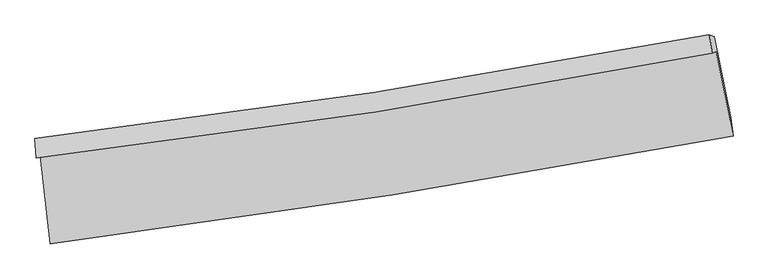
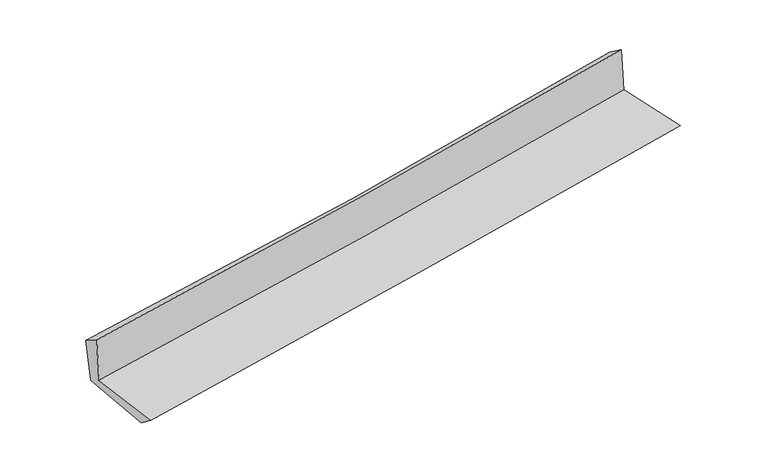
"""IFC4 building model written with IfcOpenShell, lengths in millimetres: proxy geometry."""

from ifc_helpers import new_model, si_unit, frame, origin, place, context, project, spatial, source, transform, mapped, element, save
from ifc_brep_helpers import plane_surface, spline_curve, spline_surface, advanced_brep


def generic_models_ceb93df4(model_context):
    return source(origin(), model_context, "Body", "AdvancedBrep", [
        advanced_brep(
        [(-2664.0432388, -1881.1496908, 1633.1670047), (-2587.7937354, -2570.757378, 1637.1548854), (2741.3516799, -1730.1943321, 2116.1789106), (2609.5767996, -1069.348379, 2107.4329661), (-2696.2479569, -1900.9064557, 2046.7832829), (2577.0691435, -1080.8682099, 2513.6931383), (-2705.6475626, -1746.1174059, 1953.1177109), (2557.1670182, -937.8630071, 2411.2957385), (-2671.2594096, -1760.8607269, 1559.3150057), (2593.1895085, -951.4279072, 2022.7198044), (-2594.6263771, -2427.8572765, 1528.4988608), (2722.3427226, -1584.7859495, 1997.7366598)],
        [
            (0, 1),
            (1, 2, spline_curve(3, [(-2587.7937354, -2570.757378, 1637.1548854), (-1696.693449664, -2455.423826488, 1728.566615779), (-806.703076579, -2327.645934226, 1814.217738831), (969.675278311, -2047.419570561, 1973.87450779), (1856.066710512, -1895.009780884, 2047.898059982), (2741.3516799, -1730.1943321, 2116.1789106)], [4, 2, 4], [0.0, 8.844480916108523, 17.675205118643774])),
            (2, 3),
            (3, 0, spline_curve(3, [(2609.5767996, -1069.348379, 2107.4329661), (1735.229408022, -1235.44700295, 2040.075765963), (858.930936215, -1386.105797734, 1966.910286907), (-898.936326593, -1656.754377809, 1808.839743882), (-1780.511200738, -1776.696020055, 1723.916569135), (-2664.0432388, -1881.1496908, 1633.1670047)], [4, 2, 4], [0.0, 8.83072420253525, 17.675205118643774])),
            (4, 0),
            (3, 5),
            (5, 4, spline_curve(3, [(2577.0691435, -1080.8682099, 2513.6931383), (1703.092380439, -1251.055288126, 2450.03139731), (827.004572867, -1404.445244759, 2379.327141031), (-930.761211664, -1677.843701228, 2223.712481387), (-1812.445770519, -1797.799826887, 2138.780119351), (-2696.2479569, -1900.9064557, 2046.7832829)], [4, 2, 4], [0.0, 8.782736733869093, 17.579155425283936])),
            (6, 4),
            (5, 7),
            (7, 6, spline_curve(3, [(2557.1670182, -937.8630071, 2411.2957385), (1686.085524493, -1103.449267773, 2331.670022275), (812.320326084, -1253.556565839, 2253.704086021), (-941.942832967, -1523.022963204, 2100.972901422), (-1822.449161361, -1642.333798389, 2026.212828703), (-2705.6475626, -1746.1174059, 1953.1177109)], [4, 2, 4], [0.0, 8.772223590020669, 17.55811275995991])),
            (8, 6),
            (7, 9),
            (9, 8, spline_curve(3, [(2593.1895085, -951.4279072, 2022.7198044), (1720.798735502, -1117.015599314, 1953.865157199), (846.242404937, -1267.221662343, 1880.854060427), (-908.567148483, -1537.080563188, 1726.398754322), (-1788.827124088, -1656.685439958, 1644.941584956), (-2671.2594096, -1760.8607269, 1559.3150057)], [4, 2, 4], [0.0, 8.763321586730989, 17.540294885626707])),
            (10, 8),
            (9, 11),
            (11, 10, spline_curve(3, [(2722.3427226, -1584.7859495, 1997.7366598), (1839.340009493, -1748.237972014, 1928.204932408), (955.103707679, -1900.174216511, 1854.369704915), (-817.215478872, -2181.233899052, 1697.970523905), (-1705.302210506, -2310.321430444, 1615.393151627), (-2594.6263771, -2427.8572765, 1528.4988608)], [4, 2, 4], [0.0, 8.811862809415414, 17.63745294967435])),
            (1, 10),
            (11, 2),
        ],
        [
            spline_surface(3, 3, [[(-2664.0432388, -1881.1496908, 1633.1670047), (-1780.511200671, -1776.696019936, 1723.916569017), (-898.93632645, -1656.754377677, 1808.839743831), (858.930936072, -1386.105797866, 1966.910286958), (1735.229407979, -1235.447002868, 2040.075765995), (2609.5767996, -1069.348379, 2107.4329661)], [(-2638.626737661, -2111.018919866, 1634.496298253), (-1752.571950331, -2002.93862211, 1725.466584631), (-868.191909856, -1880.38489654, 1810.632408838), (895.845716844, -1606.543722083, 1969.231693891), (1775.508508816, -1455.301262162, 2042.683197303), (2653.501759693, -1289.630363361, 2110.348280956)], [(-2613.210236539, -2340.888148934, 1635.825591847), (-1724.632700006, -2229.181224285, 1727.016600286), (-837.447493256, -2104.015415405, 1812.425073851), (932.760497623, -1826.981646303, 1971.55310083), (1815.787609674, -1675.155521471, 2045.290628542), (2697.426719807, -1509.912347739, 2113.263595744)], [(-2587.7937354, -2570.757378, 1637.1548854), (-1696.693449665, -2455.423826459, 1728.5666159), (-806.703076662, -2327.645934267, 1814.217738857), (969.675278395, -2047.41957052, 1973.874507763), (1856.066710511, -1895.009780765, 2047.89805985), (2741.3516799, -1730.1943321, 2116.1789106)]], [4, 4], [4, 2, 4], [0.0, 2.2107063104866307], [0.0, 8.844480916108523, 17.675205118643774]),
            spline_surface(3, 3, [[(-2696.2479569, -1900.9064557, 2046.7832829), (-1812.44577066, -1797.799826773, 2138.780119441), (-930.761211595, -1677.843701303, 2223.712481526), (827.004572798, -1404.445244685, 2379.327140892), (1703.092380556, -1251.05528823, 2450.031397297), (2577.0691435, -1080.8682099, 2513.6931383)], [(-2685.513050873, -1894.320867391, 1908.911190174), (-1801.800914003, -1790.765224485, 2000.492269307), (-920.15291653, -1670.81392678, 2085.421568953), (837.646693905, -1398.332095764, 2241.854856239), (1713.804723039, -1245.852526433, 2313.379520189), (2587.905028875, -1077.028266257, 2378.273080892)], [(-2674.778144827, -1887.735279109, 1771.039097426), (-1791.156057328, -1783.730622224, 1862.204419151), (-909.544621514, -1663.7841522, 1947.130656404), (848.288814965, -1392.218946787, 2104.38257161), (1724.517065496, -1240.649764665, 2176.727643103), (2598.740914225, -1073.188322643, 2242.853023508)], [(-2664.0432388, -1881.1496908, 1633.1670047), (-1780.511200671, -1776.696019936, 1723.916569017), (-898.93632645, -1656.754377677, 1808.839743831), (858.930936072, -1386.105797866, 1966.910286958), (1735.229407979, -1235.447002868, 2040.075765995), (2609.5767996, -1069.348379, 2107.4329661)]], [4, 4], [4, 2, 4], [0.0, 1.3626682785327602], [0.0, 8.796418691414843, 17.579155425283936]),
            spline_surface(3, 3, [[(-2705.6475626, -1746.1174059, 1953.1177109), (-1822.449161454, -1642.333798262, 2026.212828571), (-941.942832915, -1523.022963263, 2100.972901472), (812.320326032, -1253.55656578, 2253.704085971), (1686.085524416, -1103.449267821, 2331.670022307), (2557.1670182, -937.8630071, 2411.2957385)], [(-2702.514360694, -1797.71375584, 1984.339568236), (-1819.11469785, -1694.155807772, 2063.735258864), (-938.215625832, -1574.629875935, 2141.886094834), (817.21507493, -1303.852792074, 2295.578437622), (1691.754476452, -1152.651274614, 2371.123813981), (2563.801059956, -985.531408023, 2445.42820511)], [(-2699.381158806, -1849.31010576, 2015.561425564), (-1815.780234265, -1745.977817263, 2101.257689148), (-934.488418678, -1626.236788631, 2182.799288163), (822.1098239, -1354.149018391, 2337.45278924), (1697.42342852, -1201.853281438, 2410.577605623), (2570.435101744, -1033.199808977, 2479.56067169)], [(-2696.2479569, -1900.9064557, 2046.7832829), (-1812.44577066, -1797.799826773, 2138.780119441), (-930.761211595, -1677.843701303, 2223.712481526), (827.004572798, -1404.445244685, 2379.327140892), (1703.092380556, -1251.05528823, 2450.031397297), (2577.0691435, -1080.8682099, 2513.6931383)]], [4, 4], [4, 2, 4], [0.0, 0.6475244797094548], [0.0, 8.785889169939242, 17.55811275995991]),
            spline_surface(3, 3, [[(-2671.2594096, -1760.8607269, 1559.3150057), (-1788.827124229, -1656.685440064, 1644.941584839), (-908.567148618, -1537.080563246, 1726.398754324), (846.242405073, -1267.221662285, 1880.854060425), (1720.798735441, -1117.015599189, 1953.865157197), (2593.1895085, -951.4279072, 2022.7198044)], [(-2682.722127254, -1755.94628657, 1690.582574091), (-1800.034469958, -1651.901559466, 1772.031999407), (-919.692376718, -1532.394696595, 1851.256803357), (834.935045391, -1262.666630127, 2005.137402257), (1709.227665091, -1112.493488742, 2079.800112218), (2581.182011724, -946.906273842, 2152.245115751)], [(-2694.184844946, -1751.03184623, 1821.850142509), (-1811.241815725, -1647.11767886, 1899.122414002), (-930.817604815, -1527.708829914, 1976.114852439), (823.627685713, -1258.111597938, 2129.420744139), (1697.656594767, -1107.971378269, 2205.735067286), (2569.174514976, -942.384640458, 2281.770427149)], [(-2705.6475626, -1746.1174059, 1953.1177109), (-1822.449161454, -1642.333798262, 2026.212828571), (-941.942832915, -1523.022963263, 2100.972901472), (812.320326032, -1253.55656578, 2253.704085971), (1686.085524416, -1103.449267821, 2331.670022307), (2557.1670182, -937.8630071, 2411.2957385)]], [4, 4], [4, 2, 4], [0.0, 1.2318935561753463], [0.0, 8.776973298895719, 17.540294885626707]),
            spline_surface(3, 3, [[(-2594.6263771, -2427.8572765, 1528.4988608), (-1705.302210541, -2310.32143044, 1615.39315165), (-817.215479, -2181.233899148, 1697.970523892), (955.103707806, -1900.174216416, 1854.369704928), (1839.34000951, -1748.237972058, 1928.204932344), (2722.3427226, -1584.7859495, 1997.7366598)], [(-2620.170721286, -2205.525093281, 1538.770909122), (-1733.143848456, -2092.442766962, 1625.242629401), (-847.666035526, -1966.516120491, 1707.446600702), (918.816606908, -1689.190031683, 1863.197823427), (1799.826251501, -1537.830514431, 1936.758340634), (2679.291651247, -1373.666602063, 2006.064374672)], [(-2645.715065414, -1983.192910119, 1549.042957378), (-1760.985486314, -1874.564103541, 1635.092107087), (-878.116592092, -1751.798341903, 1716.922677513), (882.529505971, -1478.205847018, 1872.025941926), (1760.31249345, -1327.423056816, 1945.311748908), (2636.240579853, -1162.547254637, 2014.392089528)], [(-2671.2594096, -1760.8607269, 1559.3150057), (-1788.827124229, -1656.685440064, 1644.941584839), (-908.567148618, -1537.080563246, 1726.398754324), (846.242405073, -1267.221662285, 1880.854060425), (1720.798735441, -1117.015599189, 1953.865157197), (2593.1895085, -951.4279072, 2022.7198044)]], [4, 4], [4, 2, 4], [0.0, 2.1225120240351396], [0.0, 8.825590140258937, 17.63745294967435]),
            spline_surface(3, 3, [[(-2587.7937354, -2570.757378, 1637.1548854), (-1696.693449665, -2455.423826459, 1728.5666159), (-806.703076662, -2327.645934267, 1814.217738857), (969.675278395, -2047.41957052, 1973.874507763), (1856.066710511, -1895.009780765, 2047.89805985), (2741.3516799, -1730.1943321, 2116.1789106)], [(-2590.071282633, -2523.124010852, 1600.936210525), (-1699.563036623, -2407.056361138, 1690.842127808), (-810.207210777, -2278.841922563, 1775.468667218), (964.818088197, -1998.337785821, 1934.039573501), (1850.491143515, -1846.08584455, 2008.000350666), (2735.015360804, -1681.724871254, 2076.698160318)], [(-2592.348829867, -2475.490643648, 1564.717535675), (-1702.432623583, -2358.68889576, 1653.117639742), (-813.711344885, -2230.037910852, 1736.719595531), (959.960898004, -1949.256001115, 1894.204639191), (1844.915576506, -1797.161908273, 1968.102641528), (2728.679041696, -1633.255410346, 2037.217410082)], [(-2594.6263771, -2427.8572765, 1528.4988608), (-1705.302210541, -2310.32143044, 1615.39315165), (-817.215479, -2181.233899148, 1697.970523892), (955.103707806, -1900.174216416, 1854.369704928), (1839.34000951, -1748.237972058, 1928.204932344), (2722.3427226, -1584.7859495, 1997.7366598)]], [4, 4], [4, 2, 4], [0.0, 0.6191132822676007], [0.0, 8.882696693356223, 17.751577232284866]),
            plane_surface(frame((2633.4494787, -1225.7479641, 2194.8428696), z_axis=(0.9770357881645857, 0.19593237467641042, 0.08373513718427668), x_axis=(-0.09225234777796032, 0.034739238400445516, 0.9951294838586642))),
            plane_surface(frame((-2653.2697134, -2047.941489, 1726.3394584), z_axis=(-0.9905123911089336, -0.10999672405096658, -0.0823767185418206), x_axis=(-0.10989782451581497, 0.993926270953034, -0.0057477018091812385))),
        ],
        [
            (0, [[1, 2, 3, 4]]),
            (1, [[5, -4, 6, 7]]),
            (2, [[8, -7, 9, 10]]),
            (3, [[11, -10, 12, 13]]),
            (4, [[14, -13, 15, 16]]),
            (5, [[17, -16, 18, -2]]),
            (6, [[-12, -9, -6, -3, -18, -15]]),
            (7, [[-1, -5, -8, -11, -14, -17]]),
        ],
    ),
    ])


if __name__ == "__main__":
    model = new_model("IFC4")
    model_context = context("Model", 3, world=origin())
    ifc_project = project(units=[si_unit("LENGTHUNIT", "METRE", prefix="MILLI")], contexts=[model_context])
    site = spatial("IfcSite", under=ifc_project)
    building = spatial("IfcBuilding", under=site)
    placement = place(None, origin())
    generic_models_shape = generic_models_ceb93df4(model_context)
    element("IfcBuildingElementProxy", 1, Name="Generic Models", at=placement, inside=building, context=model_context, shape_type="MappedRepresentation", body=[
        mapped(generic_models_shape, transform((0.0, 0.0, 0.0), x_axis=(1.0, 0.0, 0.0), y_axis=(0.0, 1.0, 0.0), z_axis=(0.0, 0.0, 1.0))),
    ])
    save(model, "model.ifc")
